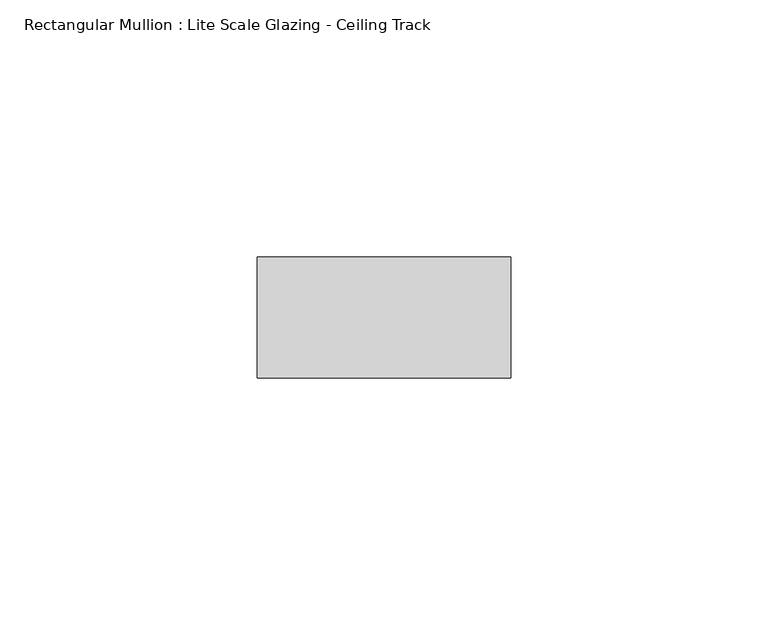
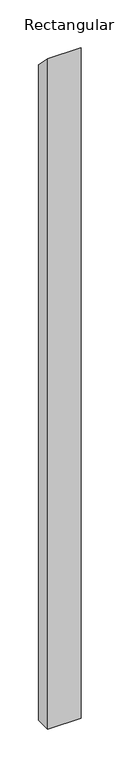
"""IFC4 building model written with IfcOpenShell, lengths in millimetres: member geometry, Rectangular Mullion : Lite Scale Glazing - Ceiling Track."""

import ifcopenshell
import ifcopenshell.guid

model = None  # the IFC model being written
_history = None  # IfcOwnerHistory: only IFC2X3 demands one
_inside = {}  # id of a spatial element -> (the spatial element, [elements in it])
_under = {}  # id of a project, library or spatial element -> (it, [spatial elements below it])
_declared = {}  # id of a project -> (the project, [libraries it declares])
_typed = {}  # id of a type object -> (the type object, [elements of that type])
_made_of = {}  # id of a material, layer set ... -> (it, [elements and type objects made of it])


def new_model(schema):
    """Start an empty IFC model of exactly this schema.

    Asked for "IFC4X3", IfcOpenShell would pick the latest addendum, in which some entities
    have other attributes; the version numbers below select the first issue.
    IFC2X3 requires an IfcOwnerHistory on every rooted entity: one is made here for all.
    """
    global model, _history
    if schema == "IFC4X3":
        model = ifcopenshell.file(schema_version=(4, 3, 0, 0))
    else:
        model = ifcopenshell.file(schema=schema)
    _inside.clear()
    _under.clear()
    _declared.clear()
    _typed.clear()
    _made_of.clear()
    _history = None
    if model.schema == "IFC2X3":
        org = make("IfcOrganization", Name="unknown")
        user = make(
            "IfcPersonAndOrganization",
            ThePerson=make("IfcPerson", FamilyName="unknown"),
            TheOrganization=org,
        )
        app = make(
            "IfcApplication",
            ApplicationDeveloper=org,
            Version="unknown",
            ApplicationFullName="unknown",
            ApplicationIdentifier="unknown",
        )
        _history = make(
            "IfcOwnerHistory",
            OwningUser=user,
            OwningApplication=app,
            ChangeAction="ADDED",
            CreationDate=0,
        )
    return model


def make(cls, **values):
    """One entity of the class cls with the attributes given. An attribute that is None is left unset."""
    return model.create_entity(
        cls, **{name: value for name, value in values.items() if value is not None}
    )


def rooted(cls, **values):
    """An entity with a GlobalId (a new one), such as an element, a storey or a relation."""
    return make(cls, GlobalId=ifcopenshell.guid.new(), OwnerHistory=_history, **values)


def si_unit(unit_type, name, prefix=None):
    """IfcSIUnit, for example si_unit("LENGTHUNIT", "METRE", prefix="MILLI")."""
    return make("IfcSIUnit", UnitType=unit_type, Prefix=prefix, Name=name)


def assignment(units):
    """IfcUnitAssignment: the units of a project."""
    return None if units is None else make("IfcUnitAssignment", Units=units)


def point(xyz):
    """IfcCartesianPoint."""
    return None if xyz is None else make("IfcCartesianPoint", Coordinates=xyz)


def direction(xyz):
    """IfcDirection."""
    return None if xyz is None else make("IfcDirection", DirectionRatios=xyz)


def frame(location, z_axis=None, x_axis=None):
    """IfcAxis2Placement3D, a coordinate frame: its origin and axes. An axis left out is left unset."""
    return make(
        "IfcAxis2Placement3D",
        Location=point(location),
        Axis=direction(z_axis),
        RefDirection=direction(x_axis),
    )


def origin():
    """The frame at (0, 0, 0) with its axes left unset."""
    return frame((0.0, 0.0, 0.0))


def place(relative_to, where):
    """IfcLocalPlacement: puts the frame where relative to a parent placement (None: the world)."""
    return make(
        "IfcLocalPlacement", PlacementRelTo=relative_to, RelativePlacement=where
    )


def context(
    kind, dimensions, precision=None, world=None, true_north=None, identifier=None
):
    """IfcGeometricRepresentationContext, for example the 3D "Model" context."""
    return make(
        "IfcGeometricRepresentationContext",
        ContextIdentifier=identifier,
        ContextType=kind,
        CoordinateSpaceDimension=dimensions,
        Precision=precision,
        WorldCoordinateSystem=world,
        TrueNorth=true_north,
    )


def project(units=None, contexts=None):
    """IfcProject with its units and contexts."""
    return rooted(
        "IfcProject",
        Name="project",
        RepresentationContexts=contexts,
        UnitsInContext=assignment(units),
    )


def spatial(cls, under=None, at=None, **own):
    """A site, building, storey or space (cls), placed at a placement, below another one or the project."""
    s = rooted(cls, ObjectPlacement=at, **own)
    if under is not None:
        _under.setdefault(under.id(), (under, []))[1].append(s)
    return s


def polyline(points):
    """IfcPolyline through the points."""
    return make("IfcPolyline", Points=[point(p) for p in points])


def outline(outer, holes=None, kind="AREA"):
    """IfcArbitraryClosedProfileDef: a profile drawn as a closed curve; with holes, ...WithVoids."""
    if holes is None:
        return make("IfcArbitraryClosedProfileDef", ProfileType=kind, OuterCurve=outer)
    return make(
        "IfcArbitraryProfileDefWithVoids",
        ProfileType=kind,
        OuterCurve=outer,
        InnerCurves=holes,
    )


def extrude(swept, where, along, depth):
    """IfcExtrudedAreaSolid: the profile swept, set in the frame where, extruded along a direction by depth."""
    return make(
        "IfcExtrudedAreaSolid",
        SweptArea=swept,
        Position=where,
        ExtrudedDirection=direction(along),
        Depth=depth,
    )


def shape(context_of_items, identifier, shape_type, items):
    """IfcShapeRepresentation: the items that make up one representation, for example the "Body"."""
    return make(
        "IfcShapeRepresentation",
        ContextOfItems=context_of_items,
        RepresentationIdentifier=identifier,
        RepresentationType=shape_type,
        Items=items,
    )


def source(mapping_origin, context_of_items, identifier, shape_type, items):
    """IfcRepresentationMap: a shape defined once, which mapped items show again and again."""
    return make(
        "IfcRepresentationMap",
        MappingOrigin=mapping_origin,
        MappedRepresentation=shape(context_of_items, identifier, shape_type, items),
    )


def transform(
    local_origin,
    x_axis=None,
    y_axis=None,
    z_axis=None,
    scale=None,
    scale2=None,
    scale3=None,
    uniform=True,
):
    """IfcCartesianTransformationOperator3D, or its non-uniform kind. x_axis, y_axis, z_axis: its Axis1, 2, 3."""
    if uniform:
        return make(
            "IfcCartesianTransformationOperator3D",
            Axis1=direction(x_axis),
            Axis2=direction(y_axis),
            LocalOrigin=point(local_origin),
            Scale=scale,
            Axis3=direction(z_axis),
        )
    return make(
        "IfcCartesianTransformationOperator3DnonUniform",
        Axis1=direction(x_axis),
        Axis2=direction(y_axis),
        LocalOrigin=point(local_origin),
        Scale=scale,
        Axis3=direction(z_axis),
        Scale2=scale2,
        Scale3=scale3,
    )


def mapped(mapping_source, mapping_target):
    """IfcMappedItem: shows the shape of a source again, moved by a transform."""
    return make(
        "IfcMappedItem", MappingSource=mapping_source, MappingTarget=mapping_target
    )


def made_of(thing, what):
    """Note that an element or type object is made of a material, layer set ...; save() writes the relation."""
    if what is not None:
        _made_of.setdefault(what.id(), (what, []))[1].append(thing)
    return thing


def element(
    cls,
    number,
    at=None,
    inside=None,
    cuts=None,
    type_object=None,
    material=None,
    context=None,
    identifier="Body",
    shape_type=None,
    held_by="IfcProductDefinitionShape",
    body=None,
    shapes=None,
    **own,
):
    """One element of the class cls, such as IfcWall. Its Tag is "e" and its number.

    at: its placement. inside: the storey or other place that contains it. cuts: it is an
    opening in that element (IfcRelVoidsElement). A single representation is given by context,
    identifier, shape_type and body (its items); several are given by shapes. held_by: the class
    of the entity that holds the representations. save() writes the other relations.
    """
    e = rooted(cls, Tag="e%d" % number, ObjectPlacement=at, **own)
    if body is not None:
        shapes = [shape(context, identifier, shape_type, body)]
    if shapes is not None:
        e.Representation = make(held_by, Representations=shapes)
    if inside is not None:
        _inside.setdefault(inside.id(), (inside, []))[1].append(e)
    if cuts is not None:
        rooted(
            "IfcRelVoidsElement", RelatingBuildingElement=cuts, RelatedOpeningElement=e
        )
    if type_object is not None:
        _typed.setdefault(type_object.id(), (type_object, []))[1].append(e)
    return made_of(e, material)


def aggregate(whole, parts):
    """IfcRelAggregates: a whole, such as a stair, and the parts it consists of."""
    return rooted("IfcRelAggregates", RelatingObject=whole, RelatedObjects=parts)


def save(model, path):
    """Write the relations noted so far, then the file.

    IfcRelAggregates (storeys below a building ...), IfcRelContainedInSpatialStructure (elements
    in a storey), IfcRelDefinesByType, IfcRelAssociatesMaterial and IfcRelDeclares: one each for
    every whole, place, type object, material and project.
    """
    for whole, parts in _under.values():
        aggregate(whole, parts)
    for where, things in _inside.values():
        rooted(
            "IfcRelContainedInSpatialStructure",
            RelatedElements=things,
            RelatingStructure=where,
        )
    for kind, things in _typed.values():
        rooted("IfcRelDefinesByType", RelatedObjects=things, RelatingType=kind)
    for what, things in _made_of.values():
        rooted("IfcRelAssociatesMaterial", RelatedObjects=things, RelatingMaterial=what)
    for by, libraries in _declared.values():
        rooted("IfcRelDeclares", RelatingContext=by, RelatedDefinitions=libraries)
    model.write(path)


def rectangular_mullion_lite_scale_glazing_ceiling_track_1c964577(model_context):
    return source(origin(), model_context, "Body", "SweptSolid", [
        extrude(outline(polyline([(-11.7474999, 11.7474999), (11.7474999, -11.7474999), (11.7474999, -1041.1636339), (-11.7474999, -1041.1636339), (-11.7474999, 11.7474999)])), frame((-49.276, 0.0, 0.0), z_axis=(1.0, 0.0, 0.0), x_axis=(0.0, 1.0, 0.0)), (0.0, 0.0, 1.0), 49.276),
    ])


if __name__ == "__main__":
    model = new_model("IFC4")
    model_context = context("Model", 3, world=origin())
    ifc_project = project(units=[si_unit("LENGTHUNIT", "METRE", prefix="MILLI")], contexts=[model_context])
    site = spatial("IfcSite", under=ifc_project)
    building = spatial("IfcBuilding", under=site)
    placement = place(None, origin())
    rectangular_mullion_lite_scale_glazing_ceiling_track_shape = rectangular_mullion_lite_scale_glazing_ceiling_track_1c964577(model_context)
    element("IfcMember", 1, ObjectType="Rectangular Mullion : Lite Scale Glazing - Ceiling Track", at=placement, inside=building, context=model_context, shape_type="MappedRepresentation", body=[
        mapped(rectangular_mullion_lite_scale_glazing_ceiling_track_shape, transform((0.0, 0.0, 0.0), x_axis=(1.0, 0.0, 0.0), y_axis=(0.0, 1.0, 0.0), z_axis=(0.0, 0.0, 1.0))),
    ])
    save(model, "model.ifc")
